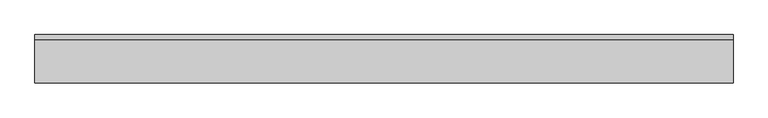
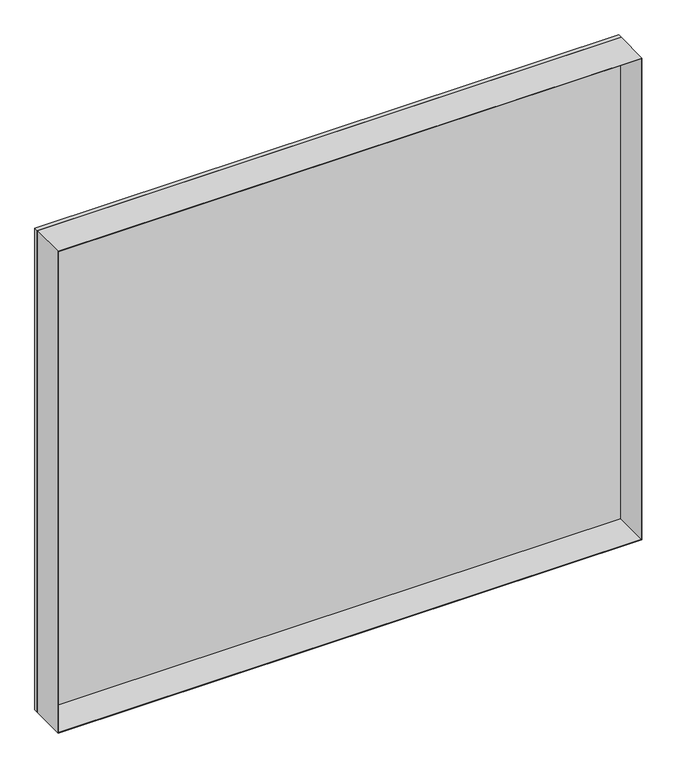
"""IFC4 building model written with IfcOpenShell, lengths in millimetres: plate geometry."""

from ifc_helpers import new_model, si_unit, frame, origin, origin_with_axes, place, context, project, spatial, polyline, outline, extrude, source, transform, mapped, element, save


def plate_a8196ffc(model_context):
    return source(origin(), model_context, "Body", "SweptSolid", [
        extrude(outline(polyline([(940.75, -539.6875001), (0.0, -539.6875001), (0.0, 539.6875001), (940.75, 539.6875001), (940.75, -539.6875001)]), holes=[polyline([(939.75, -538.6875001), (939.75, 538.6875001), (1.0, 538.6875001), (1.0, -538.6875001), (939.75, -538.6875001)])]), frame((0.0, -37.2, 0.0), z_axis=(0.0, 1.0, 0.0), x_axis=(0.0, 0.0, 1.0)), (0.0, 0.0, 1.0), 66.4),
        extrude(outline(polyline([(539.6875001, 29.2), (-539.6875001, 29.2), (-539.6875001, 37.2), (539.6875001, 37.2), (539.6875001, 29.2)])), origin_with_axes(), (0.0, 0.0, 1.0), 940.75),
    ])


if __name__ == "__main__":
    model = new_model("IFC4")
    model_context = context("Model", 3, world=origin())
    ifc_project = project(units=[si_unit("LENGTHUNIT", "METRE", prefix="MILLI")], contexts=[model_context])
    site = spatial("IfcSite", under=ifc_project)
    building = spatial("IfcBuilding", under=site)
    placement = place(None, origin())
    plate_shape = plate_a8196ffc(model_context)
    element("IfcPlate", 1, at=placement, inside=building, context=model_context, shape_type="MappedRepresentation", body=[
        mapped(plate_shape, transform((0.0, 0.0, 0.0), x_axis=(1.0, 0.0, 0.0), y_axis=(0.0, 1.0, 0.0), z_axis=(0.0, 0.0, 1.0))),
    ])
    save(model, "model.ifc")
